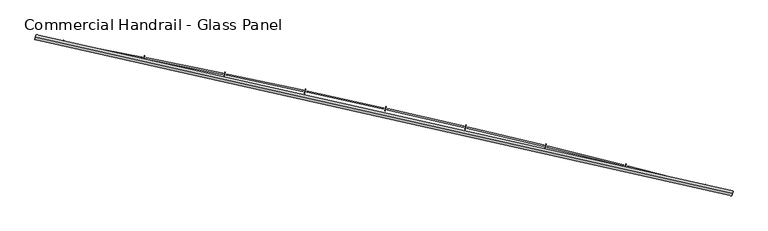
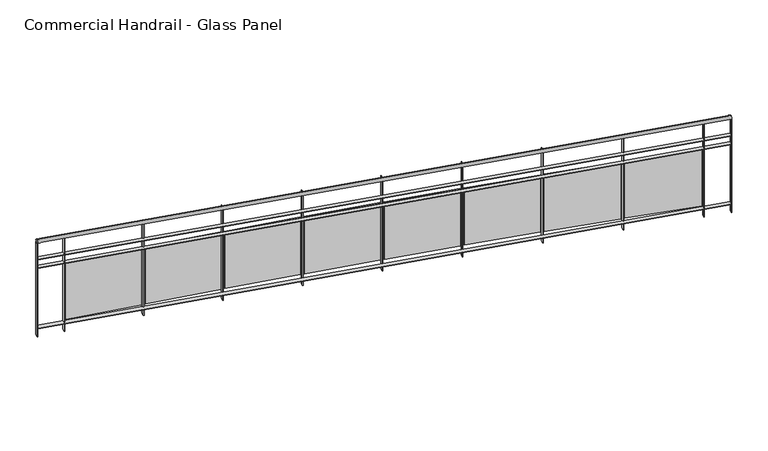
"""IFC4 building model written with IfcOpenShell, lengths in millimetres: railing geometry, Commercial Handrail - Glass Panel."""

from ifc_helpers import new_model, si_unit, point, frame, origin, place, context, project, spatial, polyline, circle_curve, ellipse_curve, trimmed, outline, extrude, source, transform, mapped, element, save
from ifc_brep_helpers import plane_surface, cylinder_surface, revolved_surface, advanced_brep


def commercial_handrail_glass_panel_97b4a710(model_context):
    return source(origin(), model_context, "Body", "SolidModel", [
        advanced_brep(
        [(147529.5593555, -11171.1779597, 9482.5), (140754.7489821, -9648.612099, 9482.5), (140754.7489821, -9648.612099, 9517.5), (147529.5593555, -11171.1779597, 9517.5)],
        [
            (0, 1, circle_curve(frame((123990.1653691, -100078.2018552, 9482.5), z_axis=(0.0, 0.0, 1.0), x_axis=(0.18228230158229036, 0.9832462369772197, 0.0)), 91970.4407253)),
            (1, 2, ellipse_curve(frame((140754.7489821, -9648.612099, 9500.0), z_axis=(0.9832462369772187, -0.18228230158229672, 0.0), x_axis=(-0.1822823015822967, -0.9832462369772185, 0.0)), 25.0, 17.5)),
            (2, 3, circle_curve(frame((123990.1653691, -100078.2018552, 9517.5), z_axis=(0.0, 0.0, -1.0), x_axis=(0.18228230158229036, 0.9832462369772197, 0.0)), 91970.4407253)),
            (3, 0, ellipse_curve(frame((147529.5593555, -11171.1779597, 9500.0), z_axis=(-0.9666912890096803, 0.2559452124045356, 0.0), x_axis=(-0.2559452124045356, -0.9666912890096803, 0.0)), 25.0, 17.5)),
            (2, 1, ellipse_curve(frame((140754.7489821, -9648.612099, 9500.0), z_axis=(0.9832462369772187, -0.18228230158229672, 0.0), x_axis=(-0.1822823015822967, -0.9832462369772185, 0.0)), 25.0, 17.5)),
            (0, 3, ellipse_curve(frame((147529.5593555, -11171.1779597, 9500.0), z_axis=(-0.9666912890096803, 0.2559452124045356, 0.0), x_axis=(-0.2559452124045356, -0.9666912890096803, 0.0)), 25.0, 17.5)),
        ],
        [
            revolved_surface(trimmed(ellipse_curve(frame((140754.7489821, -9648.612099, 9500.0), z_axis=(-0.9832462369772197, 0.18228230158229036, 0.0), x_axis=(0.0, 0.0, -1.0)), 17.5, 25.0), [point((140754.7489821, -9648.612099, 9517.5))], [point((140754.7489821, -9648.612099, 9482.5))], True, "CARTESIAN"), (123990.1653691, -100078.2018552, 9500.0), (0.0, 0.0, -1.0)),
            revolved_surface(trimmed(ellipse_curve(frame((140754.7489821, -9648.612099, 9500.0), z_axis=(-0.9832462369772197, 0.18228230158229036, 0.0), x_axis=(0.0, 0.0, -1.0)), 17.5, 25.0), [point((140754.7489821, -9648.612099, 9482.5))], [point((140754.7489821, -9648.612099, 9517.5))], True, "CARTESIAN"), (123990.1653691, -100078.2018552, 9500.0), (0.0, 0.0, -1.0)),
            plane_surface(frame((140754.7489821, -9648.612099, 9500.0), z_axis=(-0.9832462369772198, 0.1822823015822904, 0.0), x_axis=(0.1822823015822904, 0.9832462369772198, 0.0))),
            plane_surface(frame((147529.5593555, -11171.1779597, 9500.0), z_axis=(0.9666912890096803, -0.25594521240453566, 0.0), x_axis=(0.25594521240453566, 0.9666912890096803, 0.0))),
        ],
        [
            (0, [[1, 2, 3, 4]]),
            (1, [[-3, 5, -1, 6]]),
            (2, [[-2, -5]]),
            (3, [[-6, -4]]),
        ],
    ),
        advanced_brep(
        [(147535.3181228, -11149.4274057, 9300.0), (140758.8503338, -9626.4890586, 9300.0), (140750.6476303, -9670.7351393, 9300.0), (147523.8005882, -11192.9285137, 9300.0), (147535.3181228, -11149.4274057, 9294.0), (140758.8503338, -9626.4890586, 9294.0), (147523.8005882, -11192.9285137, 9294.0), (140750.6476303, -9670.7351393, 9294.0)],
        [
            (0, 1, circle_curve(frame((123990.1653691, -100078.2018552, 9300.0), z_axis=(0.0, 0.0, 1.0), x_axis=(0.18228230158229036, 0.9832462369772197, 0.0)), 91992.9407253)),
            (1, 2),
            (2, 3, circle_curve(frame((123990.1653691, -100078.2018552, 9300.0), z_axis=(0.0, 0.0, -1.0), x_axis=(0.18228230158229036, 0.9832462369772197, 0.0)), 91947.9407253)),
            (3, 0),
            (4, 5, circle_curve(frame((123990.1653691, -100078.2018552, 9294.0), z_axis=(0.0, 0.0, 1.0), x_axis=(0.18228230158229036, 0.9832462369772197, 0.0)), 91992.9407253)),
            (5, 1),
            (0, 4),
            (6, 7, circle_curve(frame((123990.1653691, -100078.2018552, 9294.0), z_axis=(0.0, 0.0, 1.0), x_axis=(0.18228230158229036, 0.9832462369772197, 0.0)), 91947.9407253)),
            (7, 5),
            (4, 6),
            (2, 7),
            (6, 3),
        ],
        [
            plane_surface(frame((123990.1653691, -100078.2018552, 9300.0), z_axis=(0.0, 0.0, 1.0), x_axis=(0.18228230158229036, 0.9832462369772197, 0.0))),
            cylinder_surface(frame((123990.1653691, -100078.2018552, 9300.0), z_axis=(0.0, 0.0, -1.0), x_axis=(0.18228230158229036, 0.9832462369772197, 0.0)), 91992.9407253),
            plane_surface(frame((123990.1653691, -100078.2018552, 9294.0), z_axis=(0.0, 0.0, -1.0), x_axis=(0.18228230158229036, 0.9832462369772197, 0.0))),
            revolved_surface(polyline([(140750.6476302597, -9670.735139244323, 9294.0), (140750.6476302597, -9670.735139244323, 9300.0)]), (123990.1653691, -100078.2018552, 9300.0), (0.0, 0.0, -1.0)),
            plane_surface(frame((140754.7489821, -9648.612099, 9300.0), z_axis=(-0.9832462369772198, 0.1822823015822904, 0.0), x_axis=(0.1822823015822904, 0.9832462369772198, 0.0))),
            plane_surface(frame((147529.5593555, -11171.1779597, 9300.0), z_axis=(0.9666912890096803, -0.25594521240453566, 0.0), x_axis=(0.25594521240453566, 0.9666912890096803, 0.0))),
        ],
        [
            (0, [[1, 2, 3, 4]]),
            (1, [[5, 6, -1, 7]]),
            (2, [[8, 9, -5, 10]]),
            (3, [[-3, 11, -8, 12]]),
            (4, [[-2, -6, -9, -11]]),
            (5, [[-12, -10, -7, -4]]),
        ],
    ),
        advanced_brep(
        [(147535.3181228, -11149.4274057, 9200.0), (140758.8503338, -9626.4890586, 9200.0), (140750.6476303, -9670.7351393, 9200.0), (147523.8005882, -11192.9285137, 9200.0), (147535.3181228, -11149.4274057, 9194.0), (140758.8503338, -9626.4890586, 9194.0), (147523.8005882, -11192.9285137, 9194.0), (140750.6476303, -9670.7351393, 9194.0)],
        [
            (0, 1, circle_curve(frame((123990.1653691, -100078.2018552, 9200.0), z_axis=(0.0, 0.0, 1.0), x_axis=(0.18228230158229036, 0.9832462369772197, 0.0)), 91992.9407253)),
            (1, 2),
            (2, 3, circle_curve(frame((123990.1653691, -100078.2018552, 9200.0), z_axis=(0.0, 0.0, -1.0), x_axis=(0.18228230158229036, 0.9832462369772197, 0.0)), 91947.9407253)),
            (3, 0),
            (4, 5, circle_curve(frame((123990.1653691, -100078.2018552, 9194.0), z_axis=(0.0, 0.0, 1.0), x_axis=(0.18228230158229036, 0.9832462369772197, 0.0)), 91992.9407253)),
            (5, 1),
            (0, 4),
            (6, 7, circle_curve(frame((123990.1653691, -100078.2018552, 9194.0), z_axis=(0.0, 0.0, 1.0), x_axis=(0.18228230158229036, 0.9832462369772197, 0.0)), 91947.9407253)),
            (7, 5),
            (4, 6),
            (2, 7),
            (6, 3),
        ],
        [
            plane_surface(frame((123990.1653691, -100078.2018552, 9200.0), z_axis=(0.0, 0.0, 1.0), x_axis=(0.18228230158229036, 0.9832462369772197, 0.0))),
            cylinder_surface(frame((123990.1653691, -100078.2018552, 9200.0), z_axis=(0.0, 0.0, -1.0), x_axis=(0.18228230158229036, 0.9832462369772197, 0.0)), 91992.9407253),
            plane_surface(frame((123990.1653691, -100078.2018552, 9194.0), z_axis=(0.0, 0.0, -1.0), x_axis=(0.18228230158229036, 0.9832462369772197, 0.0))),
            revolved_surface(polyline([(140750.6476302597, -9670.735139244323, 9194.0), (140750.6476302597, -9670.735139244323, 9200.0)]), (123990.1653691, -100078.2018552, 9200.0), (0.0, 0.0, -1.0)),
            plane_surface(frame((140754.7489821, -9648.612099, 9200.0), z_axis=(-0.9832462369772198, 0.1822823015822904, 0.0), x_axis=(0.1822823015822904, 0.9832462369772198, 0.0))),
            plane_surface(frame((147529.5593555, -11171.1779597, 9200.0), z_axis=(0.9666912890096803, -0.25594521240453566, 0.0), x_axis=(0.25594521240453566, 0.9666912890096803, 0.0))),
        ],
        [
            (0, [[1, 2, 3, 4]]),
            (1, [[5, 6, -1, 7]]),
            (2, [[8, 9, -5, 10]]),
            (3, [[-3, 11, -8, 12]]),
            (4, [[-2, -6, -9, -11]]),
            (5, [[-12, -10, -7, -4]]),
        ],
    ),
        advanced_brep(
        [(147535.3181228, -11149.4274057, 8500.0), (140758.8503338, -9626.4890586, 8500.0), (140750.6476303, -9670.7351393, 8500.0), (147523.8005882, -11192.9285137, 8500.0), (147535.3181228, -11149.4274057, 8494.0), (140758.8503338, -9626.4890586, 8494.0), (147523.8005882, -11192.9285137, 8494.0), (140750.6476303, -9670.7351393, 8494.0)],
        [
            (0, 1, circle_curve(frame((123990.1653691, -100078.2018552, 8500.0), z_axis=(0.0, 0.0, 1.0), x_axis=(0.18228230158229036, 0.9832462369772197, 0.0)), 91992.9407253)),
            (1, 2),
            (2, 3, circle_curve(frame((123990.1653691, -100078.2018552, 8500.0), z_axis=(0.0, 0.0, -1.0), x_axis=(0.18228230158229036, 0.9832462369772197, 0.0)), 91947.9407253)),
            (3, 0),
            (4, 5, circle_curve(frame((123990.1653691, -100078.2018552, 8494.0), z_axis=(0.0, 0.0, 1.0), x_axis=(0.18228230158229036, 0.9832462369772197, 0.0)), 91992.9407253)),
            (5, 1),
            (0, 4),
            (6, 7, circle_curve(frame((123990.1653691, -100078.2018552, 8494.0), z_axis=(0.0, 0.0, 1.0), x_axis=(0.18228230158229036, 0.9832462369772197, 0.0)), 91947.9407253)),
            (7, 5),
            (4, 6),
            (2, 7),
            (6, 3),
        ],
        [
            plane_surface(frame((123990.1653691, -100078.2018552, 8500.0), z_axis=(0.0, 0.0, 1.0), x_axis=(0.18228230158229036, 0.9832462369772197, 0.0))),
            cylinder_surface(frame((123990.1653691, -100078.2018552, 8500.0), z_axis=(0.0, 0.0, -1.0), x_axis=(0.18228230158229036, 0.9832462369772197, 0.0)), 91992.9407253),
            plane_surface(frame((123990.1653691, -100078.2018552, 8494.0), z_axis=(0.0, 0.0, -1.0), x_axis=(0.18228230158229036, 0.9832462369772197, 0.0))),
            revolved_surface(polyline([(140750.6476302597, -9670.735139244323, 8494.0), (140750.6476302597, -9670.735139244323, 8500.0)]), (123990.1653691, -100078.2018552, 8500.0), (0.0, 0.0, -1.0)),
            plane_surface(frame((140754.7489821, -9648.612099, 8500.0), z_axis=(-0.9832462369772198, 0.1822823015822904, 0.0), x_axis=(0.1822823015822904, 0.9832462369772198, 0.0))),
            plane_surface(frame((147529.5593555, -11171.1779597, 8500.0), z_axis=(0.9666912890096803, -0.25594521240453566, 0.0), x_axis=(0.25594521240453566, 0.9666912890096803, 0.0))),
        ],
        [
            (0, [[1, 2, 3, 4]]),
            (1, [[5, 6, -1, 7]]),
            (2, [[8, 9, -5, 10]]),
            (3, [[-3, 11, -8, 12]]),
            (4, [[-2, -6, -9, -11]]),
            (5, [[-12, -10, -7, -4]]),
        ],
    ),
        extrude(outline(polyline([(147257.221986, -11122.7754383), (147268.6104754, -11079.2403685), (147274.4151514, -11080.7588337), (147263.0266619, -11124.2939036), (147257.221986, -11122.7754383)])), frame((0.0, 0.0, 8400.0), z_axis=(0.0, 0.0, 1.0), x_axis=(1.0, 0.0, 0.0)), (0.0, 0.0, 1.0), 1082.1192282),
        extrude(outline(polyline([(146512.0701942, -10900.9970799), (147248.1587203, -11090.1363983), (147245.17231, -11101.7588487), (146509.0837839, -10912.6195303), (146512.0701942, -10900.9970799)])), frame((0.0, 0.0, 8520.0), z_axis=(0.0, 0.0, 1.0), x_axis=(1.0, 0.0, 0.0)), (0.0, 0.0, 1.0), 660.0),
        extrude(outline(polyline([(146482.5774638, -10923.7560279), (146493.5868397, -10880.1235441), (146499.4045042, -10881.5914608), (146488.3951283, -10925.2239446), (146482.5774638, -10923.7560279)])), frame((0.0, 0.0, 8400.0), z_axis=(0.0, 0.0, 1.0), x_axis=(1.0, 0.0, 0.0)), (0.0, 0.0, 1.0), 1082.1192282),
        extrude(outline(polyline([(145735.524759, -10708.4676411), (146473.2306356, -10891.1970579), (146470.3454342, -10902.8450454), (145732.6395577, -10720.1156287), (145735.524759, -10708.4676411)])), frame((0.0, 0.0, 8520.0), z_axis=(0.0, 0.0, 1.0), x_axis=(1.0, 0.0, 0.0)), (0.0, 0.0, 1.0), 660.0),
        extrude(outline(polyline([(145706.2311094, -10731.4822658), (145716.8605387, -10687.7556694), (145722.6907516, -10689.1729267), (145712.0613222, -10732.8995231), (145706.2311094, -10731.4822658)])), frame((0.0, 0.0, 8400.0), z_axis=(0.0, 0.0, 1.0), x_axis=(1.0, 0.0, 0.0)), (0.0, 0.0, 1.0), 1082.1192282),
        extrude(outline(polyline([(144957.3340156, -10522.7001401), (145696.6014259, -10699.0058295), (145693.8176518, -10710.6784728), (144954.5502416, -10534.3727835), (144957.3340156, -10522.7001401)])), frame((0.0, 0.0, 8520.0), z_axis=(0.0, 0.0, 1.0), x_axis=(1.0, 0.0, 0.0)), (0.0, 0.0, 1.0), 660.0),
        extrude(outline(polyline([(144928.2416631, -10545.9687002), (144938.4903417, -10502.1512997), (144944.3326617, -10503.5177901), (144934.0839832, -10547.3351907), (144928.2416631, -10545.9687002)])), frame((0.0, 0.0, 8400.0), z_axis=(0.0, 0.0, 1.0), x_axis=(1.0, 0.0, 0.0)), (0.0, 0.0, 1.0), 1082.1192282),
        extrude(outline(polyline([(144177.5568437, -10343.7086325), (144918.3298529, -10513.5772547), (144915.6477168, -10525.2736707), (144174.8747076, -10355.4050484), (144177.5568437, -10343.7086325)])), frame((0.0, 0.0, 8520.0), z_axis=(0.0, 0.0, 1.0), x_axis=(1.0, 0.0, 0.0)), (0.0, 0.0, 1.0), 660.0),
        extrude(outline(polyline([(144148.6679896, -10367.2293674), (144158.5351419, -10323.324478), (144164.3891271, -10324.6400983), (144154.5219749, -10368.5449877), (144148.6679896, -10367.2293674)])), frame((0.0, 0.0, 8400.0), z_axis=(0.0, 0.0, 1.0), x_axis=(1.0, 0.0, 0.0)), (0.0, 0.0, 1.0), 1082.1192282),
        extrude(outline(polyline([(143396.2522433, -10171.5066611), (144138.4748027, -10334.9253636), (144135.8945074, -10346.6446671), (143393.671948, -10183.2259647), (143396.2522433, -10171.5066611)])), frame((0.0, 0.0, 8520.0), z_axis=(0.0, 0.0, 1.0), x_axis=(1.0, 0.0, 0.0)), (0.0, 0.0, 1.0), 660.0),
        extrude(outline(polyline([(143367.5690734, -10195.2777912), (143377.0539528, -10151.288735), (143382.9191603, -10152.5533856), (143373.4342809, -10196.5424418), (143367.5690734, -10195.2777912)])), frame((0.0, 0.0, 8400.0), z_axis=(0.0, 0.0, 1.0), x_axis=(1.0, 0.0, 0.0)), (0.0, 0.0, 1.0), 1082.1192282),
        extrude(outline(polyline([(142613.4793297, -10006.1072553), (143357.0952809, -10163.0636733), (143354.6170217, -10174.8049778), (142611.0010705, -10017.8485598), (142613.4793297, -10006.1072553)])), frame((0.0, 0.0, 8520.0), z_axis=(0.0, 0.0, 1.0), x_axis=(1.0, 0.0, 0.0)), (0.0, 0.0, 1.0), 660.0),
        extrude(outline(polyline([(142585.0040143, -10030.126982), (142594.1059033, -9986.0570873), (142599.9818892, -9987.2706725), (142590.8800002, -10031.3405672), (142585.0040143, -10030.126982)])), frame((0.0, 0.0, 8400.0), z_axis=(0.0, 0.0, 1.0), x_axis=(1.0, 0.0, 0.0)), (0.0, 0.0, 1.0), 1082.1192282),
        extrude(outline(polyline([(141829.2973297, -9847.5229296), (142574.2504088, -9998.0051873), (142571.8743732, -10009.7676044), (141826.921294, -9859.2853466), (141829.2973297, -9847.5229296)])), frame((0.0, 0.0, 8520.0), z_axis=(0.0, 0.0, 1.0), x_axis=(1.0, 0.0, 0.0)), (0.0, 0.0, 1.0), 660.0),
        extrude(outline(polyline([(141801.0320231, -9871.7894354), (141809.750233, -9827.6420367), (141815.6365528, -9828.8044646), (141806.918343, -9872.9518634), (141801.0320231, -9871.7894354)])), frame((0.0, 0.0, 8400.0), z_axis=(0.0, 0.0, 1.0), x_axis=(1.0, 0.0, 0.0)), (0.0, 0.0, 1.0), 1082.1192282),
        extrude(outline(polyline([(141043.7655762, -9695.7656828), (141789.9994183, -9839.7623945), (141787.725786, -9851.5450341), (141041.491944, -9707.5483224), (141043.7655762, -9695.7656828)])), frame((0.0, 0.0, 8520.0), z_axis=(0.0, 0.0, 1.0), x_axis=(1.0, 0.0, 0.0)), (0.0, 0.0, 1.0), 660.0),
        extrude(outline(polyline([(141015.7124173, -9720.2771318), (141024.0462883, -9676.0555692), (141029.9424967, -9677.166752), (141021.6086256, -9721.3883146), (141015.7124173, -9720.2771318)])), frame((0.0, 0.0, 8400.0), z_axis=(0.0, 0.0, 1.0), x_axis=(1.0, 0.0, 0.0)), (0.0, 0.0, 1.0), 1082.1192282),
        extrude(outline(polyline([(147520.9005143, -11192.1606781), (147532.4180489, -11148.6595701), (147538.2181966, -11150.1952413), (147526.7006621, -11193.6963494), (147520.9005143, -11192.1606781)])), frame((0.0, 0.0, 8400.0), z_axis=(0.0, 0.0, 1.0), x_axis=(1.0, 0.0, 0.0)), (0.0, 0.0, 1.0), 1082.1192282),
        extrude(outline(polyline([(140747.6978916, -9670.1882924), (140755.9005951, -9625.9422117), (140761.8000726, -9627.0359055), (140753.597369, -9671.2819862), (140747.6978916, -9670.1882924)])), frame((0.0, 0.0, 8400.0), z_axis=(0.0, 0.0, 1.0), x_axis=(1.0, 0.0, 0.0)), (0.0, 0.0, 1.0), 1082.1192282),
    ])


if __name__ == "__main__":
    model = new_model("IFC4")
    model_context = context("Model", 3, world=origin())
    ifc_project = project(units=[si_unit("LENGTHUNIT", "METRE", prefix="MILLI")], contexts=[model_context])
    site = spatial("IfcSite", under=ifc_project)
    building = spatial("IfcBuilding", under=site)
    placement = place(None, origin())
    commercial_handrail_glass_panel_shape = commercial_handrail_glass_panel_97b4a710(model_context)
    element("IfcRailing", 1, ObjectType="Commercial Handrail - Glass Panel", at=placement, inside=building, context=model_context, shape_type="MappedRepresentation", body=[
        mapped(commercial_handrail_glass_panel_shape, transform((0.0, 0.0, 0.0), x_axis=(1.0, 0.0, 0.0), y_axis=(0.0, 1.0, 0.0), z_axis=(0.0, 0.0, 1.0))),
    ])
    save(model, "model.ifc")
